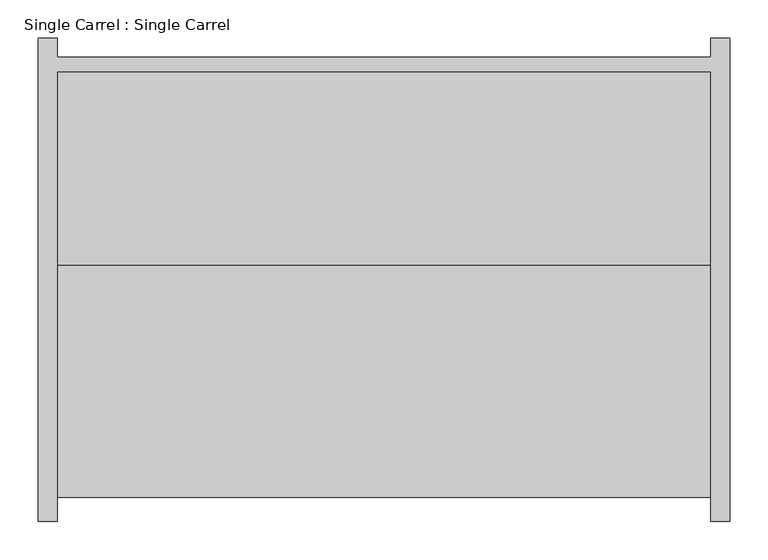
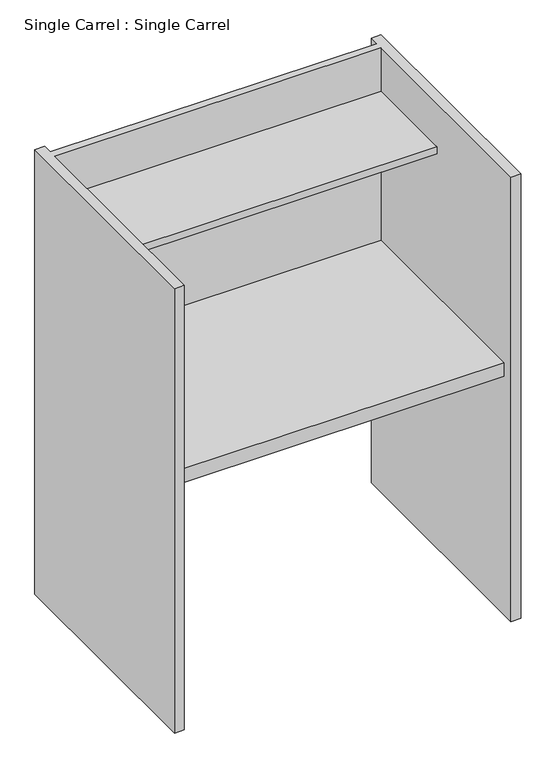
"""IFC4 building model written with IfcOpenShell, lengths in millimetres: proxy geometry, Single Carrel : Single Carrel."""

from ifc_helpers import new_model, si_unit, frame, origin, place, context, project, spatial, polyline, outline, extrude, faceted_brep, source, transform, mapped, element, save


def single_carrel_single_carrel_ed4d160c(model_context):
    return source(origin(), model_context, "Body", "SolidModel", [
        extrude(outline(polyline([(428.625, -19.05), (428.625, -273.05), (-428.625, -273.05), (-428.625, -19.05), (428.625, -19.05)])), frame((0.0, 0.0, 1092.2), z_axis=(0.0, 0.0, 1.0), x_axis=(1.0, 0.0, 0.0)), (0.0, 0.0, 1.0), 19.05),
        extrude(outline(polyline([(428.625, -19.05), (428.625, -577.85), (-428.625, -577.85), (-428.625, -19.05), (428.625, -19.05)])), frame((0.0, 0.0, 660.4), z_axis=(0.0, 0.0, 1.0), x_axis=(1.0, 0.0, 0.0)), (0.0, 0.0, 1.0), 38.1),
        faceted_brep([(428.625, 0.0, 1231.9), (-428.625, 0.0, 1231.9), (-428.625, 25.4, 1231.9), (-454.025, 25.4, 1231.9), (-454.025, -609.6, 1231.9), (-428.625, -609.6, 1231.9), (-428.625, -19.05, 1231.9), (428.625, -19.05, 1231.9), (428.625, -609.6, 1231.9), (454.025, -609.6, 1231.9), (454.025, 25.4, 1231.9), (428.625, 25.4, 1231.9), (428.625, -609.6, 0.0), (428.625, 25.4, 0.0), (454.025, 25.4, 0.0), (454.025, -609.6, 0.0), (-428.625, 25.4, 0.0), (-428.625, -609.6, 0.0), (-454.025, -609.6, 0.0), (-454.025, 25.4, 0.0), (428.625, 0.0, 457.2), (-428.625, 0.0, 457.2), (-428.625, -19.05, 457.2), (428.625, -19.05, 457.2)], [[[0, 1, 2, 3, 4, 5, 6, 7, 8, 9, 10, 11]], [[12, 13, 14, 15]], [[16, 17, 18, 19]], [[1, 0, 20, 21]], [[2, 1, 21, 22, 6, 5, 17, 16]], [[3, 2, 16, 19]], [[4, 3, 19, 18]], [[5, 4, 18, 17]], [[7, 6, 22, 23]], [[8, 7, 23, 20, 0, 11, 13, 12]], [[9, 8, 12, 15]], [[10, 9, 15, 14]], [[13, 11, 10, 14]], [[22, 21, 20, 23]]]),
    ])


if __name__ == "__main__":
    model = new_model("IFC4")
    model_context = context("Model", 3, world=origin())
    ifc_project = project(units=[si_unit("LENGTHUNIT", "METRE", prefix="MILLI")], contexts=[model_context])
    site = spatial("IfcSite", under=ifc_project)
    building = spatial("IfcBuilding", under=site)
    placement = place(None, origin())
    single_carrel_single_carrel_shape = single_carrel_single_carrel_ed4d160c(model_context)
    element("IfcBuildingElementProxy", 1, Name="Single Carrel : Single Carrel", ObjectType="Single Carrel : Single Carrel", at=placement, inside=building, context=model_context, shape_type="MappedRepresentation", body=[
        mapped(single_carrel_single_carrel_shape, transform((0.0, 0.0, 0.0), x_axis=(1.0, 0.0, 0.0), y_axis=(0.0, 1.0, 0.0), z_axis=(0.0, 0.0, 1.0))),
    ])
    save(model, "model.ifc")
